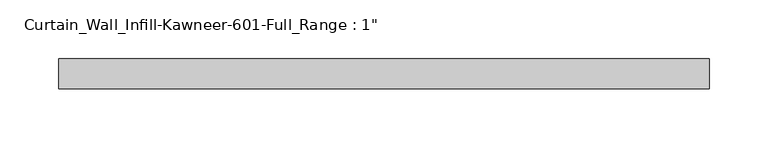
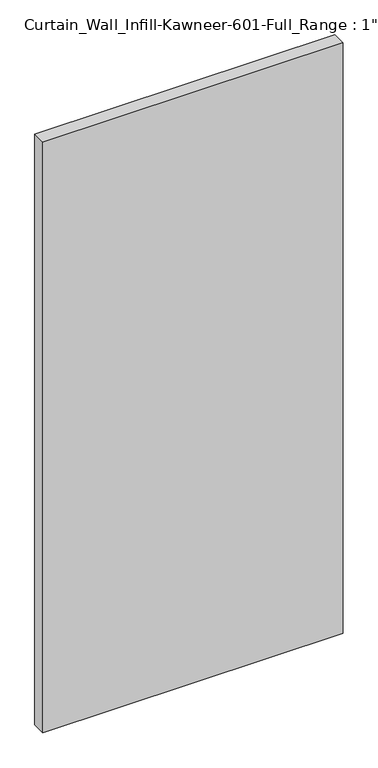
"""IFC4 building model written with IfcOpenShell, lengths in millimetres: plate geometry."""

from ifc_helpers import new_model, si_unit, origin, origin_with_axes, place, context, project, spatial, polyline, outline, extrude, source, transform, mapped, element, save


def plate_27282f94(model_context):
    return source(origin(), model_context, "Body", "SweptSolid", [
        extrude(outline(polyline([(-276.225, 12.7), (276.225, 12.7), (276.225, -12.7), (-276.225, -12.7), (-276.225, 12.7)])), origin_with_axes(), (0.0, 0.0, 1.0), 1149.35),
    ])


if __name__ == "__main__":
    model = new_model("IFC4")
    model_context = context("Model", 3, world=origin())
    ifc_project = project(units=[si_unit("LENGTHUNIT", "METRE", prefix="MILLI")], contexts=[model_context])
    site = spatial("IfcSite", under=ifc_project)
    building = spatial("IfcBuilding", under=site)
    placement = place(None, origin())
    plate_shape = plate_27282f94(model_context)
    element("IfcPlate", 1, ObjectType="Curtain_Wall_Infill-Kawneer-601-Full_Range : 1\"", at=placement, inside=building, context=model_context, shape_type="MappedRepresentation", body=[
        mapped(plate_shape, transform((0.0, 0.0, 0.0), x_axis=(1.0, 0.0, 0.0), y_axis=(0.0, 1.0, 0.0), z_axis=(0.0, 0.0, 1.0))),
    ])
    save(model, "model.ifc")
